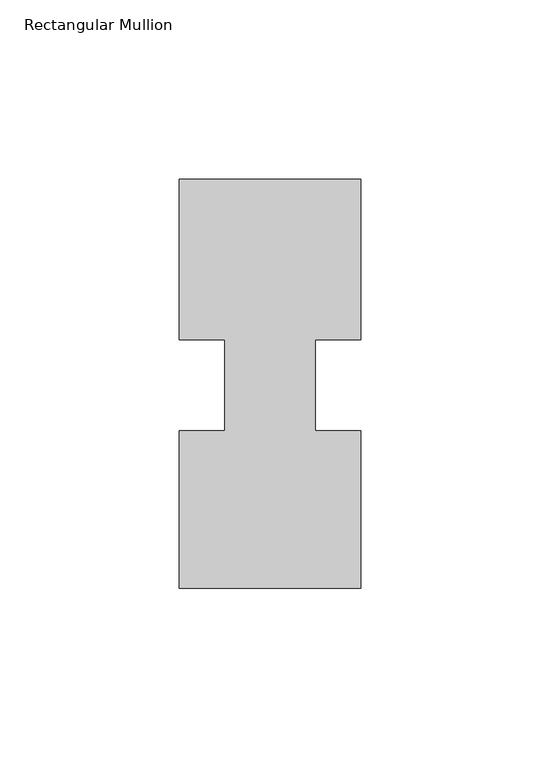
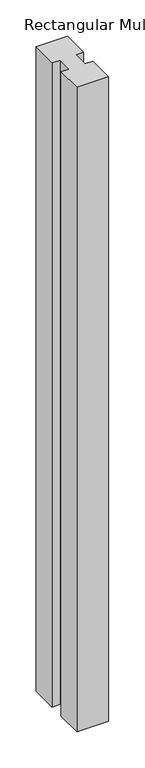
"""IFC4 building model written with IfcOpenShell, lengths in millimetres: member geometry, Rectangular Mullion."""

import ifcopenshell
import ifcopenshell.guid

model = None  # the IFC model being written
_history = None  # IfcOwnerHistory: only IFC2X3 demands one
_inside = {}  # id of a spatial element -> (the spatial element, [elements in it])
_under = {}  # id of a project, library or spatial element -> (it, [spatial elements below it])
_declared = {}  # id of a project -> (the project, [libraries it declares])
_typed = {}  # id of a type object -> (the type object, [elements of that type])
_made_of = {}  # id of a material, layer set ... -> (it, [elements and type objects made of it])


def new_model(schema):
    """Start an empty IFC model of exactly this schema.

    Asked for "IFC4X3", IfcOpenShell would pick the latest addendum, in which some entities
    have other attributes; the version numbers below select the first issue.
    IFC2X3 requires an IfcOwnerHistory on every rooted entity: one is made here for all.
    """
    global model, _history
    if schema == "IFC4X3":
        model = ifcopenshell.file(schema_version=(4, 3, 0, 0))
    else:
        model = ifcopenshell.file(schema=schema)
    _inside.clear()
    _under.clear()
    _declared.clear()
    _typed.clear()
    _made_of.clear()
    _history = None
    if model.schema == "IFC2X3":
        org = make("IfcOrganization", Name="unknown")
        user = make(
            "IfcPersonAndOrganization",
            ThePerson=make("IfcPerson", FamilyName="unknown"),
            TheOrganization=org,
        )
        app = make(
            "IfcApplication",
            ApplicationDeveloper=org,
            Version="unknown",
            ApplicationFullName="unknown",
            ApplicationIdentifier="unknown",
        )
        _history = make(
            "IfcOwnerHistory",
            OwningUser=user,
            OwningApplication=app,
            ChangeAction="ADDED",
            CreationDate=0,
        )
    return model


def make(cls, **values):
    """One entity of the class cls with the attributes given. An attribute that is None is left unset."""
    return model.create_entity(
        cls, **{name: value for name, value in values.items() if value is not None}
    )


def rooted(cls, **values):
    """An entity with a GlobalId (a new one), such as an element, a storey or a relation."""
    return make(cls, GlobalId=ifcopenshell.guid.new(), OwnerHistory=_history, **values)


def si_unit(unit_type, name, prefix=None):
    """IfcSIUnit, for example si_unit("LENGTHUNIT", "METRE", prefix="MILLI")."""
    return make("IfcSIUnit", UnitType=unit_type, Prefix=prefix, Name=name)


def assignment(units):
    """IfcUnitAssignment: the units of a project."""
    return None if units is None else make("IfcUnitAssignment", Units=units)


def point(xyz):
    """IfcCartesianPoint."""
    return None if xyz is None else make("IfcCartesianPoint", Coordinates=xyz)


def direction(xyz):
    """IfcDirection."""
    return None if xyz is None else make("IfcDirection", DirectionRatios=xyz)


def frame(location, z_axis=None, x_axis=None):
    """IfcAxis2Placement3D, a coordinate frame: its origin and axes. An axis left out is left unset."""
    return make(
        "IfcAxis2Placement3D",
        Location=point(location),
        Axis=direction(z_axis),
        RefDirection=direction(x_axis),
    )


def origin():
    """The frame at (0, 0, 0) with its axes left unset."""
    return frame((0.0, 0.0, 0.0))


def place(relative_to, where):
    """IfcLocalPlacement: puts the frame where relative to a parent placement (None: the world)."""
    return make(
        "IfcLocalPlacement", PlacementRelTo=relative_to, RelativePlacement=where
    )


def context(
    kind, dimensions, precision=None, world=None, true_north=None, identifier=None
):
    """IfcGeometricRepresentationContext, for example the 3D "Model" context."""
    return make(
        "IfcGeometricRepresentationContext",
        ContextIdentifier=identifier,
        ContextType=kind,
        CoordinateSpaceDimension=dimensions,
        Precision=precision,
        WorldCoordinateSystem=world,
        TrueNorth=true_north,
    )


def project(units=None, contexts=None):
    """IfcProject with its units and contexts."""
    return rooted(
        "IfcProject",
        Name="project",
        RepresentationContexts=contexts,
        UnitsInContext=assignment(units),
    )


def spatial(cls, under=None, at=None, **own):
    """A site, building, storey or space (cls), placed at a placement, below another one or the project."""
    s = rooted(cls, ObjectPlacement=at, **own)
    if under is not None:
        _under.setdefault(under.id(), (under, []))[1].append(s)
    return s


def polyline(points):
    """IfcPolyline through the points."""
    return make("IfcPolyline", Points=[point(p) for p in points])


def outline(outer, holes=None, kind="AREA"):
    """IfcArbitraryClosedProfileDef: a profile drawn as a closed curve; with holes, ...WithVoids."""
    if holes is None:
        return make("IfcArbitraryClosedProfileDef", ProfileType=kind, OuterCurve=outer)
    return make(
        "IfcArbitraryProfileDefWithVoids",
        ProfileType=kind,
        OuterCurve=outer,
        InnerCurves=holes,
    )


def extrude(swept, where, along, depth):
    """IfcExtrudedAreaSolid: the profile swept, set in the frame where, extruded along a direction by depth."""
    return make(
        "IfcExtrudedAreaSolid",
        SweptArea=swept,
        Position=where,
        ExtrudedDirection=direction(along),
        Depth=depth,
    )


def shape(context_of_items, identifier, shape_type, items):
    """IfcShapeRepresentation: the items that make up one representation, for example the "Body"."""
    return make(
        "IfcShapeRepresentation",
        ContextOfItems=context_of_items,
        RepresentationIdentifier=identifier,
        RepresentationType=shape_type,
        Items=items,
    )


def source(mapping_origin, context_of_items, identifier, shape_type, items):
    """IfcRepresentationMap: a shape defined once, which mapped items show again and again."""
    return make(
        "IfcRepresentationMap",
        MappingOrigin=mapping_origin,
        MappedRepresentation=shape(context_of_items, identifier, shape_type, items),
    )


def transform(
    local_origin,
    x_axis=None,
    y_axis=None,
    z_axis=None,
    scale=None,
    scale2=None,
    scale3=None,
    uniform=True,
):
    """IfcCartesianTransformationOperator3D, or its non-uniform kind. x_axis, y_axis, z_axis: its Axis1, 2, 3."""
    if uniform:
        return make(
            "IfcCartesianTransformationOperator3D",
            Axis1=direction(x_axis),
            Axis2=direction(y_axis),
            LocalOrigin=point(local_origin),
            Scale=scale,
            Axis3=direction(z_axis),
        )
    return make(
        "IfcCartesianTransformationOperator3DnonUniform",
        Axis1=direction(x_axis),
        Axis2=direction(y_axis),
        LocalOrigin=point(local_origin),
        Scale=scale,
        Axis3=direction(z_axis),
        Scale2=scale2,
        Scale3=scale3,
    )


def mapped(mapping_source, mapping_target):
    """IfcMappedItem: shows the shape of a source again, moved by a transform."""
    return make(
        "IfcMappedItem", MappingSource=mapping_source, MappingTarget=mapping_target
    )


def made_of(thing, what):
    """Note that an element or type object is made of a material, layer set ...; save() writes the relation."""
    if what is not None:
        _made_of.setdefault(what.id(), (what, []))[1].append(thing)
    return thing


def element(
    cls,
    number,
    at=None,
    inside=None,
    cuts=None,
    type_object=None,
    material=None,
    context=None,
    identifier="Body",
    shape_type=None,
    held_by="IfcProductDefinitionShape",
    body=None,
    shapes=None,
    **own,
):
    """One element of the class cls, such as IfcWall. Its Tag is "e" and its number.

    at: its placement. inside: the storey or other place that contains it. cuts: it is an
    opening in that element (IfcRelVoidsElement). A single representation is given by context,
    identifier, shape_type and body (its items); several are given by shapes. held_by: the class
    of the entity that holds the representations. save() writes the other relations.
    """
    e = rooted(cls, Tag="e%d" % number, ObjectPlacement=at, **own)
    if body is not None:
        shapes = [shape(context, identifier, shape_type, body)]
    if shapes is not None:
        e.Representation = make(held_by, Representations=shapes)
    if inside is not None:
        _inside.setdefault(inside.id(), (inside, []))[1].append(e)
    if cuts is not None:
        rooted(
            "IfcRelVoidsElement", RelatingBuildingElement=cuts, RelatedOpeningElement=e
        )
    if type_object is not None:
        _typed.setdefault(type_object.id(), (type_object, []))[1].append(e)
    return made_of(e, material)


def aggregate(whole, parts):
    """IfcRelAggregates: a whole, such as a stair, and the parts it consists of."""
    return rooted("IfcRelAggregates", RelatingObject=whole, RelatedObjects=parts)


def save(model, path):
    """Write the relations noted so far, then the file.

    IfcRelAggregates (storeys below a building ...), IfcRelContainedInSpatialStructure (elements
    in a storey), IfcRelDefinesByType, IfcRelAssociatesMaterial and IfcRelDeclares: one each for
    every whole, place, type object, material and project.
    """
    for whole, parts in _under.values():
        aggregate(whole, parts)
    for where, things in _inside.values():
        rooted(
            "IfcRelContainedInSpatialStructure",
            RelatedElements=things,
            RelatingStructure=where,
        )
    for kind, things in _typed.values():
        rooted("IfcRelDefinesByType", RelatedObjects=things, RelatingType=kind)
    for what, things in _made_of.values():
        rooted("IfcRelAssociatesMaterial", RelatedObjects=things, RelatingMaterial=what)
    for by, libraries in _declared.values():
        rooted("IfcRelDeclares", RelatingContext=by, RelatedDefinitions=libraries)
    model.write(path)


def rectangular_mullion_0331761f(model_context):
    return source(origin(), model_context, "Body", "SweptSolid", [
        extrude(outline(polyline([(29.7344027, 57.6460938), (29.7344027, 12.7), (17.0326322, 12.7), (17.0326322, -12.7), (29.7344027, -12.7), (29.7344027, -56.6539062), (-21.0655973, -56.6539062), (-21.0655973, -12.7), (-8.3655973, -12.7), (-8.3655973, 12.7), (-21.0655973, 12.7), (-21.0655973, 57.6460938), (29.7344027, 57.6460938)])), frame((0.0, 0.0, -1091.0405973), z_axis=(0.0, 0.0, 1.0), x_axis=(1.0, 0.0, 0.0)), (0.0, 0.0, 1.0), 1091.0405973),
    ])


if __name__ == "__main__":
    model = new_model("IFC4")
    model_context = context("Model", 3, world=origin())
    ifc_project = project(units=[si_unit("LENGTHUNIT", "METRE", prefix="MILLI")], contexts=[model_context])
    site = spatial("IfcSite", under=ifc_project)
    building = spatial("IfcBuilding", under=site)
    placement = place(None, origin())
    rectangular_mullion_shape = rectangular_mullion_0331761f(model_context)
    element("IfcMember", 1, ObjectType="Rectangular Mullion", at=placement, inside=building, context=model_context, shape_type="MappedRepresentation", body=[
        mapped(rectangular_mullion_shape, transform((0.0, 0.0, 0.0), x_axis=(1.0, 0.0, 0.0), y_axis=(0.0, 1.0, 0.0), z_axis=(0.0, 0.0, 1.0))),
    ])
    save(model, "model.ifc")
